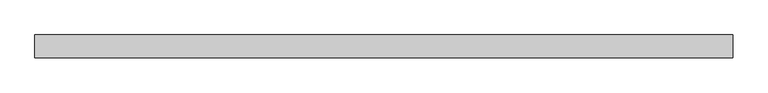
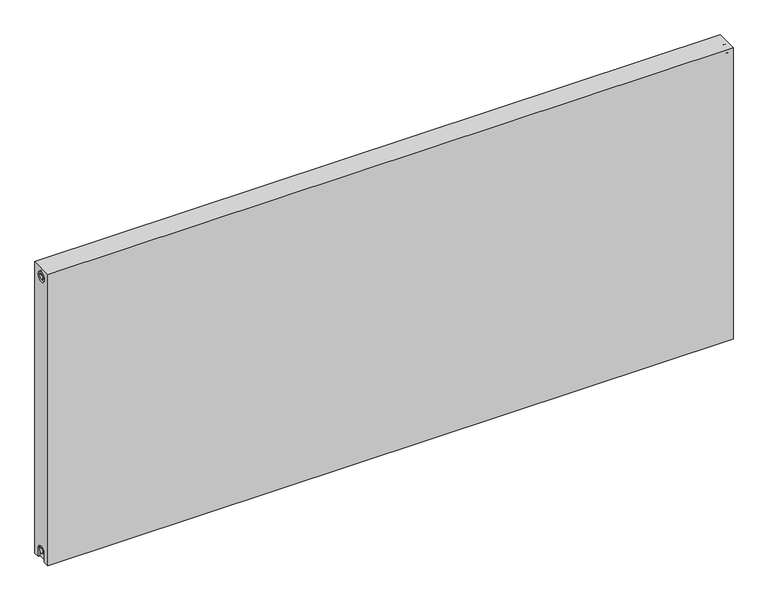
"""IFC4 building model written with IfcOpenShell, lengths in millimetres: proxy geometry."""

from ifc_helpers import new_model, si_unit, frame, origin, place, context, project, spatial, polyline, circle_curve, source, transform, mapped, element, save
from ifc_brep_helpers import plane_surface, cylinder_surface, revolved_surface, advanced_brep


def mechanical_equipment_3eb47415(model_context):
    return source(origin(), model_context, "Body", "AdvancedBrep", [
        advanced_brep(
        [(2000.0, 32.5, 900.0), (2000.0, 32.5, 0.0), (0.0, 32.5, 0.0), (0.0, 32.5, 900.0), (2000.0, -32.5, 900.0), (0.0, -32.5, 900.0), (0.0, -32.5, 0.0), (2000.0, -32.5, 0.0), (2000.0, -14.65, 0.0), (2000.0, -14.65, 27.0), (2000.0, 15.35, 27.0), (2000.0, 15.35, 0.0), (2000.0, 14.7242393, 873.0), (2000.0, -15.2757607, 873.0), (2000.0, -7.5, 27.0), (2000.0, 7.5, 27.0), (2000.0, 7.2242393, 873.0), (2000.0, -7.7757607, 873.0), (1995.0, 15.35, 0.0), (1995.0, -14.65, 0.0), (0.0, -15.0, 0.0), (5.0, -15.0, 0.0), (5.0, 15.0, 0.0), (0.0, 15.0, 0.0), (0.0, 15.0, 27.0), (0.0, -15.0, 27.0), (0.0, -15.2757607, 873.0), (0.0, 14.7242393, 873.0), (0.0, -7.7757607, 873.0), (0.0, 7.2242393, 873.0), (0.0, 7.5682726, 27.0), (0.0, -7.4317274, 27.0), (5.0, -15.2757607, 873.0), (5.0, 14.7242393, 873.0), (5.0, -7.7757607, 873.0), (5.0, 7.2242393, 873.0), (5.0, -15.0, 27.0), (5.0, 15.0, 27.0), (5.0, -7.4317274, 27.0), (5.0, 7.5682726, 27.0), (1995.0, 15.35, 27.0), (1995.0, -14.65, 27.0), (1995.0, -7.5, 27.0), (1995.0, 7.5, 27.0), (1995.0, -15.2757607, 873.0), (1995.0, 14.7242393, 873.0), (1995.0, -7.7757607, 873.0), (1995.0, 7.2242393, 873.0)],
        [
            (0, 1),
            (1, 2),
            (2, 3),
            (3, 0),
            (4, 5),
            (5, 6),
            (6, 7),
            (7, 4),
            (0, 4),
            (7, 8),
            (8, 9),
            (9, 10, circle_curve(frame((2000.0, 0.35, 27.0), z_axis=(-1.0, 0.0, 0.0), x_axis=(0.0, 1.0, 0.0)), 15.0)),
            (10, 11),
            (11, 1),
            (12, 13, circle_curve(frame((2000.0, -0.2757607, 873.0), z_axis=(-1.0, 0.0, 0.0), x_axis=(0.0, 1.0, 0.0)), 15.0)),
            (13, 12, circle_curve(frame((2000.0, -0.2757607, 873.0), z_axis=(-1.0, 0.0, 0.0), x_axis=(0.0, 1.0, 0.0)), 15.0)),
            (14, 15, circle_curve(frame((2000.0, 0.0, 27.0), z_axis=(1.0, 0.0, 0.0), x_axis=(0.0, 1.0, 0.0)), 7.5)),
            (15, 14, circle_curve(frame((2000.0, 0.0, 27.0), z_axis=(1.0, 0.0, 0.0), x_axis=(0.0, 1.0, 0.0)), 7.5)),
            (16, 17, circle_curve(frame((2000.0, -0.2757607, 873.0), z_axis=(1.0, 0.0, 0.0), x_axis=(0.0, 1.0, 0.0)), 7.5)),
            (17, 16, circle_curve(frame((2000.0, -0.2757607, 873.0), z_axis=(1.0, 0.0, 0.0), x_axis=(0.0, 1.0, 0.0)), 7.5)),
            (11, 18),
            (18, 19),
            (19, 8),
            (6, 20),
            (20, 21),
            (21, 22),
            (22, 23),
            (23, 2),
            (23, 24),
            (24, 25, circle_curve(frame((0.0, 0.0, 27.0), z_axis=(1.0, 0.0, 0.0), x_axis=(0.0, 1.0, 0.0)), 15.0)),
            (25, 20),
            (5, 3),
            (26, 27, circle_curve(frame((0.0, -0.2757607, 873.0), z_axis=(1.0, 0.0, 0.0), x_axis=(0.0, 1.0, 0.0)), 15.0)),
            (27, 26, circle_curve(frame((0.0, -0.2757607, 873.0), z_axis=(1.0, 0.0, 0.0), x_axis=(0.0, 1.0, 0.0)), 15.0)),
            (28, 29, circle_curve(frame((0.0, -0.2757607, 873.0), z_axis=(-1.0, 0.0, 0.0), x_axis=(0.0, 1.0, 0.0)), 7.5)),
            (29, 28, circle_curve(frame((0.0, -0.2757607, 873.0), z_axis=(-1.0, 0.0, 0.0), x_axis=(0.0, 1.0, 0.0)), 7.5)),
            (30, 31, circle_curve(frame((0.0, 0.0682726, 27.0), z_axis=(-1.0, 0.0, 0.0), x_axis=(0.0, 1.0, 0.0)), 7.5)),
            (31, 30, circle_curve(frame((0.0, 0.0682726, 27.0), z_axis=(-1.0, 0.0, 0.0), x_axis=(0.0, 1.0, 0.0)), 7.5)),
            (32, 33, circle_curve(frame((5.0, -0.2757607, 873.0), z_axis=(-1.0, 0.0, 0.0), x_axis=(0.0, 1.0, 0.0)), 15.0)),
            (33, 32, circle_curve(frame((5.0, -0.2757607, 873.0), z_axis=(-1.0, 0.0, 0.0), x_axis=(0.0, 1.0, 0.0)), 15.0)),
            (34, 35, circle_curve(frame((5.0, -0.2757607, 873.0), z_axis=(1.0, 0.0, 0.0), x_axis=(0.0, 1.0, 0.0)), 7.5)),
            (35, 34, circle_curve(frame((5.0, -0.2757607, 873.0), z_axis=(1.0, 0.0, 0.0), x_axis=(0.0, 1.0, 0.0)), 7.5)),
            (33, 27),
            (26, 32),
            (35, 29),
            (28, 34),
            (21, 36),
            (36, 37, circle_curve(frame((5.0, 0.0, 27.0), z_axis=(-1.0, 0.0, 0.0), x_axis=(0.0, 1.0, 0.0)), 15.0)),
            (37, 22),
            (38, 39, circle_curve(frame((5.0, 0.0682726, 27.0), z_axis=(1.0, 0.0, 0.0), x_axis=(0.0, 1.0, 0.0)), 7.5)),
            (39, 38, circle_curve(frame((5.0, 0.0682726, 27.0), z_axis=(1.0, 0.0, 0.0), x_axis=(0.0, 1.0, 0.0)), 7.5)),
            (38, 31),
            (30, 39),
            (37, 24),
            (36, 25),
            (18, 40),
            (40, 41, circle_curve(frame((1995.0, 0.35, 27.0), z_axis=(1.0, 0.0, 0.0), x_axis=(0.0, 1.0, 0.0)), 15.0)),
            (41, 19),
            (42, 43, circle_curve(frame((1995.0, 0.0, 27.0), z_axis=(-1.0, 0.0, 0.0), x_axis=(0.0, 1.0, 0.0)), 7.5)),
            (43, 42, circle_curve(frame((1995.0, 0.0, 27.0), z_axis=(-1.0, 0.0, 0.0), x_axis=(0.0, 1.0, 0.0)), 7.5)),
            (43, 15),
            (14, 42),
            (10, 40),
            (9, 41),
            (44, 45, circle_curve(frame((1995.0, -0.2757607, 873.0), z_axis=(1.0, 0.0, 0.0), x_axis=(0.0, 1.0, 0.0)), 15.0)),
            (45, 44, circle_curve(frame((1995.0, -0.2757607, 873.0), z_axis=(1.0, 0.0, 0.0), x_axis=(0.0, 1.0, 0.0)), 15.0)),
            (46, 47, circle_curve(frame((1995.0, -0.2757607, 873.0), z_axis=(-1.0, 0.0, 0.0), x_axis=(0.0, 1.0, 0.0)), 7.5)),
            (47, 46, circle_curve(frame((1995.0, -0.2757607, 873.0), z_axis=(-1.0, 0.0, 0.0), x_axis=(0.0, 1.0, 0.0)), 7.5)),
            (44, 13),
            (12, 45),
            (46, 17),
            (16, 47),
        ],
        [
            plane_surface(frame((2000.0, 32.5, 900.0), z_axis=(0.0, 1.0, 0.0), x_axis=(0.0, 0.0, -1.0))),
            plane_surface(frame((2000.0, -32.5, 900.0), z_axis=(0.0, -1.0, 0.0), x_axis=(0.0, 0.0, 1.0))),
            plane_surface(frame((2000.0, 32.5, 900.0), z_axis=(1.0, 0.0, 0.0), x_axis=(0.0, -1.0, 0.0))),
            plane_surface(frame((2000.0, 32.5, 0.0), z_axis=(0.0, 0.0, -1.0), x_axis=(0.0, -1.0, 0.0))),
            plane_surface(frame((0.0, 32.5, 0.0), z_axis=(-1.0, 0.0, 0.0), x_axis=(0.0, -1.0, 0.0))),
            plane_surface(frame((0.0, 32.5, 900.0), z_axis=(0.0, 0.0, 1.0), x_axis=(0.0, -1.0, 0.0))),
            plane_surface(frame((5.0, 14.7242393, 873.0), z_axis=(-1.0, 0.0, 0.0), x_axis=(0.0, 0.0, 1.0))),
            revolved_surface(polyline([(5.0, 14.7242393, 873.0), (0.0, 14.7242393, 873.0)]), (0.0, -0.2757607, 873.0), (1.0, 0.0, 0.0)),
            cylinder_surface(frame((0.0, -0.2757607, 873.0), z_axis=(-1.0, 0.0, 0.0), x_axis=(0.0, 1.0, 0.0)), 7.5),
            plane_surface(frame((5.0, 7.5682726, 27.0), z_axis=(-1.0, 0.0, 0.0), x_axis=(0.0, 0.0, -1.0))),
            cylinder_surface(frame((0.0, 0.0682726, 27.0), z_axis=(-1.0, 0.0, 0.0), x_axis=(0.0, 1.0, 0.0)), 7.5),
            plane_surface(frame((5.0, 15.0, 0.0), z_axis=(0.0, -1.0, 0.0), x_axis=(-1.0, 0.0, 0.0))),
            revolved_surface(polyline([(5.0, 15.0, 27.0), (0.0, 15.0, 27.0)]), (0.0, 0.0, 27.0), (1.0, 0.0, 0.0)),
            plane_surface(frame((5.0, -15.0, 27.0), z_axis=(0.0, 1.0, 0.0), x_axis=(-1.0, 0.0, 0.0))),
            plane_surface(frame((1995.0, 7.5, 27.0), z_axis=(1.0, 0.0, 0.0), x_axis=(0.0, 0.0, 1.0))),
            cylinder_surface(frame((1995.0, 0.0, 27.0), z_axis=(-1.0, 0.0, 0.0), x_axis=(0.0, 1.0, 0.0)), 7.5),
            plane_surface(frame((2000.0, 15.35, 0.0), z_axis=(0.0, -1.0, 0.0), x_axis=(-1.0, 0.0, 0.0))),
            revolved_surface(polyline([(2000.0, 15.35, 27.0), (1995.0, 15.35, 27.0)]), (895.0, 0.35, 27.0), (1.0, 0.0, 0.0)),
            plane_surface(frame((2000.0, -14.65, 27.0), z_axis=(0.0, 1.0, 0.0), x_axis=(-1.0, 0.0, 0.0))),
            plane_surface(frame((1995.0, 14.7242393, 873.0), z_axis=(1.0, 0.0, 0.0), x_axis=(0.0, 0.0, -1.0))),
            revolved_surface(polyline([(2000.0, 14.7242393, 873.0), (1995.0, 14.7242393, 873.0)]), (1995.0, -0.2757607, 873.0), (1.0, 0.0, 0.0)),
            cylinder_surface(frame((895.0, -0.2757607, 873.0), z_axis=(-1.0, 0.0, 0.0), x_axis=(0.0, 1.0, 0.0)), 7.5),
        ],
        [
            (0, [[1, 2, 3, 4]]),
            (1, [[5, 6, 7, 8]]),
            (2, [[-1, 9, -8, 10, 11, 12, 13, 14], [15, 16]]),
            (2, [[17, 18]]),
            (2, [[19, 20]]),
            (3, [[-2, -14, 21, 22, 23, -10, -7, 24, 25, 26, 27, 28]]),
            (4, [[-3, -28, 29, 30, 31, -24, -6, 32], [33, 34]]),
            (4, [[35, 36]]),
            (4, [[37, 38]]),
            (5, [[-4, -32, -5, -9]]),
            (6, [[39, 40], [41, 42]]),
            (7, [[-40, 43, -33, 44]]),
            (7, [[-39, -44, -34, -43]]),
            (8, [[-42, 45, -35, 46]]),
            (8, [[-41, -46, -36, -45]]),
            (9, [[47, 48, 49, -26], [50, 51]]),
            (10, [[-50, 52, -37, 53]]),
            (10, [[-51, -53, -38, -52]]),
            (11, [[-49, 54, -29, -27]]),
            (12, [[-48, 55, -30, -54]]),
            (13, [[-47, -25, -31, -55]]),
            (14, [[56, 57, 58, -22], [59, 60]]),
            (15, [[-60, 61, -17, 62]]),
            (15, [[-59, -62, -18, -61]]),
            (16, [[-56, -21, -13, 63]]),
            (17, [[-57, -63, -12, 64]]),
            (18, [[-58, -64, -11, -23]]),
            (19, [[65, 66], [67, 68]]),
            (20, [[-65, 69, -15, 70]]),
            (20, [[-66, -70, -16, -69]]),
            (21, [[-67, 71, -19, 72]]),
            (21, [[-68, -72, -20, -71]]),
        ],
    ),
    ])


if __name__ == "__main__":
    model = new_model("IFC4")
    model_context = context("Model", 3, world=origin())
    ifc_project = project(units=[si_unit("LENGTHUNIT", "METRE", prefix="MILLI")], contexts=[model_context])
    site = spatial("IfcSite", under=ifc_project)
    building = spatial("IfcBuilding", under=site)
    placement = place(None, origin())
    mechanical_equipment_shape = mechanical_equipment_3eb47415(model_context)
    element("IfcBuildingElementProxy", 1, Name="Mechanical Equipment", at=placement, inside=building, context=model_context, shape_type="MappedRepresentation", body=[
        mapped(mechanical_equipment_shape, transform((0.0, 0.0, 0.0), x_axis=(1.0, 0.0, 0.0), y_axis=(0.0, 1.0, 0.0), z_axis=(0.0, 0.0, 1.0))),
    ])
    save(model, "model.ifc")
